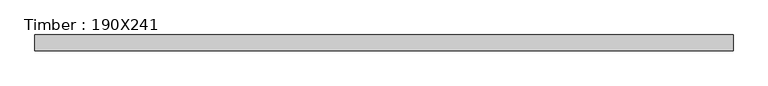
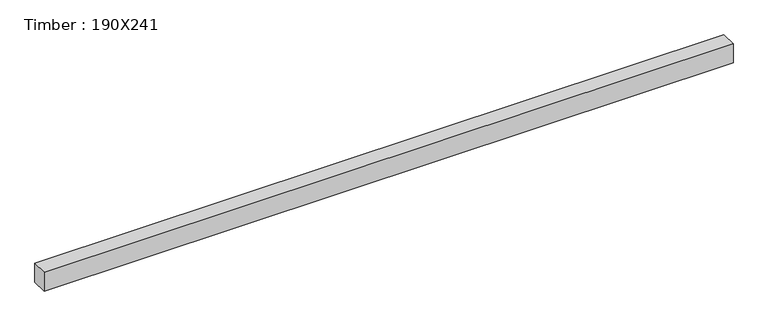
"""IFC4 building model written with IfcOpenShell, lengths in millimetres: beam geometry, Timber : 190X241."""

from ifc_helpers import new_model, si_unit, frame, origin, place, context, project, spatial, polyline, outline, extrude, source, transform, mapped, element, save


def timber_190x241_1691b61e(model_context):
    return source(origin(), model_context, "Body", "SweptSolid", [
        extrude(outline(polyline([(4149.5, -95.0), (-4149.5, -95.0), (-4149.5, 95.0), (4149.5, 95.0), (4149.5, -95.0)])), frame((0.0, 0.0, -120.5), z_axis=(0.0, 0.0, 1.0), x_axis=(1.0, 0.0, 0.0)), (0.0, 0.0, 1.0), 241.0),
    ])


if __name__ == "__main__":
    model = new_model("IFC4")
    model_context = context("Model", 3, world=origin())
    ifc_project = project(units=[si_unit("LENGTHUNIT", "METRE", prefix="MILLI")], contexts=[model_context])
    site = spatial("IfcSite", under=ifc_project)
    building = spatial("IfcBuilding", under=site)
    placement = place(None, origin())
    timber_190x241_shape = timber_190x241_1691b61e(model_context)
    element("IfcBeam", 1, ObjectType="Timber : 190X241", at=placement, inside=building, context=model_context, shape_type="MappedRepresentation", body=[
        mapped(timber_190x241_shape, transform((0.0, 0.0, 0.0), x_axis=(1.0, 0.0, 0.0), y_axis=(0.0, 1.0, 0.0), z_axis=(0.0, 0.0, 1.0))),
    ])
    save(model, "model.ifc")
